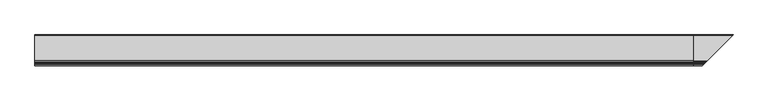
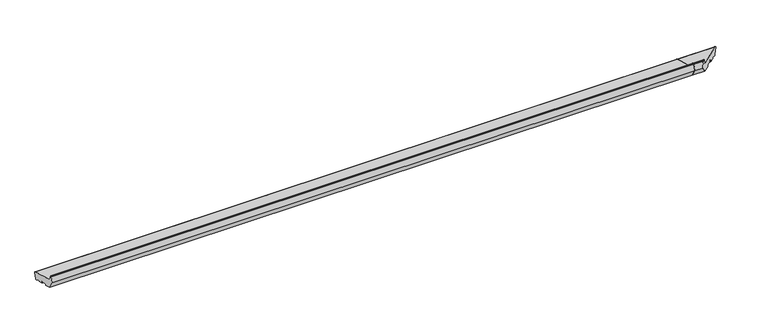
"""IFC4 building model written with IfcOpenShell, lengths in millimetres: proxy geometry."""

from ifc_helpers import new_model, si_unit, point, frame, frame_2d, origin, place, context, project, spatial, polyline, circle_curve, ellipse_curve, trimmed, segment, composite_curve, outline, extrude, source, transform, mapped, element, save
from ifc_brep_helpers import plane_surface, cylinder_surface, revolved_surface, advanced_brep


def generic_models_22b112b0(model_context):
    return source(origin(), model_context, "Body", "SolidModel", [
        advanced_brep(
        [(2695.0, 28.1351575, 11.0), (2695.0, 24.4609229, 8.8786797), (2695.0, 21.7441453, 9.606638), (2695.0, 7.5759156, 18.1940842), (2695.0, 6.0916598, 17.5977226), (2695.0, 5.1424063, 14.0550606), (2695.0, 3.9176615, 13.3479538), (2695.0, -13.4690034, 18.0066966), (2695.0, -14.1761102, 19.2314415), (2695.0, -13.140834, 23.0951448), (2695.0, -13.8479408, 24.3198896), (2695.0, -41.8597898, 31.8256419), (2695.0, -43.0845346, 31.1185352), (2695.0, -44.1198108, 27.2548319), (2695.0, -45.3445557, 26.5477251), (2695.0, -74.3223305, 34.3122964), (2695.0, -92.0, 64.9309182), (2695.0, -85.4291321, 89.4537311), (2695.0, -83.9802434, 90.5655025), (2695.0, -80.6368689, 90.5655025), (2695.0, -79.1879801, 89.4537311), (2695.0, -74.4052841, 71.6044663), (2695.0, -70.1626434, 67.3618256), (2695.0, 32.7431323, 39.7883061), (2695.0, 34.8644526, 36.1140715), (2855.8644526, 34.8644526, 36.1140715), (2849.1351575, 28.1351575, 11.0), (2853.7431323, 32.7431323, 39.7883061), (2750.8373566, -70.1626434, 67.3618256), (2746.5947159, -74.4052841, 71.6044663), (2741.8120199, -79.1879801, 89.4537311), (2740.3631311, -80.6368689, 90.5655025), (2737.0197566, -83.9802434, 90.5655025), (2735.5708679, -85.4291321, 89.4537311), (2729.0, -92.0, 64.9309182), (2746.6776695, -74.3223305, 34.3122964), (2775.6554443, -45.3445557, 26.5477251), (2776.8801892, -44.1198108, 27.2548319), (2777.9154654, -43.0845346, 31.1185352), (2779.1402102, -41.8597898, 31.8256419), (2807.1520592, -13.8479408, 24.3198896), (2807.859166, -13.140834, 23.0951448), (2806.8238898, -14.1761102, 19.2314415), (2807.5309966, -13.4690034, 18.0066966), (2824.9176615, 3.9176615, 13.3479538), (2826.1424063, 5.1424063, 14.0550606), (2827.0916598, 6.0916598, 17.5977226), (2828.5759156, 7.5759156, 18.1940842), (2842.7441453, 21.7441453, 9.606638), (2845.4609229, 24.4609229, 8.8786797)],
        [
            (0, 1, circle_curve(frame((2695.0, 25.23738, 11.7764571), z_axis=(-1.0, 0.0, 0.0), x_axis=(0.0, 1.0, 0.0)), 3.0)),
            (1, 2),
            (2, 3),
            (3, 4, circle_curve(frame((2695.0, 7.0575856, 17.3389035), z_axis=(1.0, 0.0, 0.0), x_axis=(0.0, 1.0, 0.0)), 1.0)),
            (4, 5),
            (5, 6, circle_curve(frame((2695.0, 4.1764805, 14.3138796), z_axis=(-1.0, 0.0, 0.0), x_axis=(0.0, 1.0, 0.0)), 1.0)),
            (6, 7),
            (7, 8, circle_curve(frame((2695.0, -13.2101844, 18.9726224), z_axis=(-1.0, 0.0, 0.0), x_axis=(0.0, 1.0, 0.0)), 1.0)),
            (8, 9),
            (9, 10, circle_curve(frame((2695.0, -14.1067598, 23.3539638), z_axis=(1.0, 0.0, 0.0), x_axis=(0.0, 1.0, 0.0)), 1.0)),
            (10, 11),
            (11, 12, circle_curve(frame((2695.0, -42.1186088, 30.8597161), z_axis=(1.0, 0.0, 0.0), x_axis=(0.0, 1.0, 0.0)), 1.0)),
            (12, 13),
            (13, 14, circle_curve(frame((2695.0, -45.0857366, 27.5136509), z_axis=(-1.0, 0.0, 0.0), x_axis=(0.0, 1.0, 0.0)), 1.0)),
            (14, 15),
            (15, 16),
            (16, 17),
            (17, 18, circle_curve(frame((2695.0, -83.9802434, 89.0655025), z_axis=(-1.0, 0.0, 0.0), x_axis=(0.0, 1.0, 0.0)), 1.5)),
            (18, 19),
            (19, 20, circle_curve(frame((2695.0, -80.6368689, 89.0655025), z_axis=(-1.0, 0.0, 0.0), x_axis=(0.0, 1.0, 0.0)), 1.5)),
            (20, 21),
            (21, 22, circle_curve(frame((2695.0, -68.6097291, 73.1573805), z_axis=(1.0, 0.0, 0.0), x_axis=(0.0, 1.0, 0.0)), 6.0)),
            (22, 23),
            (23, 24, circle_curve(frame((2695.0, 31.9666752, 36.8905286), z_axis=(-1.0, 0.0, 0.0), x_axis=(0.0, 1.0, 0.0)), 3.0)),
            (24, 0),
            (24, 25),
            (25, 26),
            (26, 0),
            (23, 27),
            (27, 25, ellipse_curve(frame((2852.9666752, 31.9666752, 36.8905286), z_axis=(-0.707106781186548, 0.7071067811865471, 0.0), x_axis=(0.707106781186547, 0.707106781186548, 0.0)), 4.2426407, 3.0)),
            (22, 28),
            (28, 27),
            (21, 29),
            (29, 28, ellipse_curve(frame((2752.3902709, -68.6097291, 73.1573805), z_axis=(0.707106781186548, -0.7071067811865471, 0.0), x_axis=(-0.707106781186547, -0.707106781186548, 0.0)), 8.4852814, 6.0)),
            (20, 30),
            (30, 29),
            (19, 31),
            (31, 30, ellipse_curve(frame((2740.3631311, -80.6368689, 89.0655025), z_axis=(-0.707106781186548, 0.7071067811865471, 0.0), x_axis=(0.707106781186547, 0.707106781186548, 0.0)), 2.1213203, 1.5)),
            (18, 32),
            (32, 31),
            (17, 33),
            (33, 32, ellipse_curve(frame((2737.0197566, -83.9802434, 89.0655025), z_axis=(-0.707106781186548, 0.7071067811865471, 0.0), x_axis=(0.707106781186547, 0.707106781186548, 0.0)), 2.1213203, 1.5)),
            (16, 34),
            (34, 33),
            (15, 35),
            (35, 34),
            (14, 36),
            (36, 35),
            (13, 37),
            (37, 36, ellipse_curve(frame((2775.9142634, -45.0857366, 27.5136509), z_axis=(-0.707106781186548, 0.7071067811865471, 0.0), x_axis=(0.707106781186547, 0.707106781186548, 0.0)), 1.4142136, 1.0)),
            (12, 38),
            (38, 37),
            (11, 39),
            (39, 38, ellipse_curve(frame((2778.8813912, -42.1186088, 30.8597161), z_axis=(0.707106781186548, -0.7071067811865471, 0.0), x_axis=(-0.707106781186547, -0.707106781186548, 0.0)), 1.4142136, 1.0)),
            (10, 40),
            (40, 39),
            (9, 41),
            (41, 40, ellipse_curve(frame((2806.8932402, -14.1067598, 23.3539638), z_axis=(0.707106781186548, -0.7071067811865471, 0.0), x_axis=(-0.707106781186547, -0.707106781186548, 0.0)), 1.4142136, 1.0)),
            (8, 42),
            (42, 41),
            (7, 43),
            (43, 42, ellipse_curve(frame((2807.7898156, -13.2101844, 18.9726224), z_axis=(-0.707106781186548, 0.7071067811865471, 0.0), x_axis=(0.707106781186547, 0.707106781186548, 0.0)), 1.4142136, 1.0)),
            (6, 44),
            (44, 43),
            (5, 45),
            (45, 44, ellipse_curve(frame((2825.1764805, 4.1764805, 14.3138796), z_axis=(-0.707106781186548, 0.7071067811865471, 0.0), x_axis=(0.707106781186547, 0.707106781186548, 0.0)), 1.4142136, 1.0)),
            (4, 46),
            (46, 45),
            (3, 47),
            (47, 46, ellipse_curve(frame((2828.0575856, 7.0575856, 17.3389035), z_axis=(0.707106781186548, -0.7071067811865471, 0.0), x_axis=(-0.707106781186547, -0.707106781186548, 0.0)), 1.4142136, 1.0)),
            (2, 48),
            (48, 47),
            (26, 49, ellipse_curve(frame((2846.23738, 25.23738, 11.7764571), z_axis=(-0.707106781186548, 0.7071067811865471, 0.0), x_axis=(0.707106781186547, 0.707106781186548, 0.0)), 4.2426407, 3.0)),
            (49, 1),
            (49, 48),
        ],
        [
            plane_surface(frame((2695.0, 0.0, 0.0), z_axis=(-1.0, 0.0, 0.0), x_axis=(0.0, 0.0, 1.0))),
            plane_surface(frame((2856.3741644, 34.8644526, 36.1140715), z_axis=(0.0, 0.9659258262890686, -0.2588190451025195), x_axis=(-1.0, 0.0, 0.0))),
            cylinder_surface(frame((2856.3741644, 31.9666752, 36.8905286), z_axis=(1.0, 0.0, 0.0), x_axis=(0.0, 1.0, 0.0)), 3.0),
            plane_surface(frame((2856.3741644, -70.1626434, 67.3618256), z_axis=(0.0, 0.25881904510252063, 0.9659258262890683), x_axis=(-1.0, 0.0, 0.0))),
            revolved_surface(polyline([(2695.0, -62.609729099999996, 73.1573805), (2758.390270918216, -62.609729099999996, 73.1573805)]), (2856.3741644, -68.6097291, 73.1573805), (-1.0, 0.0, 0.0)),
            plane_surface(frame((2856.3741644, -79.1879801, 89.4537311), z_axis=(0.0, 0.9659258262890666, 0.258819045102527), x_axis=(-1.0, 0.0, 0.0))),
            cylinder_surface(frame((2856.3741644, -80.6368689, 89.0655025), z_axis=(1.0, 0.0, 0.0), x_axis=(0.0, 1.0, 0.0)), 1.5),
            plane_surface(frame((2856.3741644, -83.9802434, 90.5655025), z_axis=(0.0, 0.0, 1.0), x_axis=(-1.0, 0.0, 0.0))),
            cylinder_surface(frame((2856.3741644, -83.9802434, 89.0655025), z_axis=(1.0, 0.0, 0.0), x_axis=(0.0, 1.0, 0.0)), 1.5),
            plane_surface(frame((2856.3741644, -92.0, 64.9309182), z_axis=(0.0, -0.9659258262890682, 0.25881904510252096), x_axis=(-1.0, 0.0, 0.0))),
            plane_surface(frame((2856.3741644, -74.3223305, 34.3122964), z_axis=(0.0, -0.8660254037844386, -0.5000000000000002), x_axis=(-1.0, 0.0, 0.0))),
            plane_surface(frame((2856.3741644, -45.3445557, 26.5477251), z_axis=(0.0, -0.2588190451025206, -0.9659258262890683), x_axis=(-1.0, 0.0, 0.0))),
            cylinder_surface(frame((2856.3741644, -45.0857366, 27.5136509), z_axis=(1.0, 0.0, 0.0), x_axis=(0.0, 1.0, 0.0)), 1.0),
            plane_surface(frame((2856.3741644, -43.0845346, 31.1185352), z_axis=(0.0, 0.9659258262890698, -0.2588190451025152), x_axis=(-1.0, 0.0, 0.0))),
            revolved_surface(polyline([(2695.0, -41.1186088, 30.8597161), (2779.8813912266064, -41.1186088, 30.8597161)]), (2856.3741644, -42.1186088, 30.8597161), (-1.0, 0.0, 0.0)),
            plane_surface(frame((2856.3741644, -13.8479408, 24.3198896), z_axis=(0.0, -0.2588190451025199, -0.9659258262890685), x_axis=(-1.0, 0.0, 0.0))),
            revolved_surface(polyline([(2695.0, -13.1067598, 23.3539638), (2807.8932402266064, -13.1067598, 23.3539638)]), (2856.3741644, -14.1067598, 23.3539638), (-1.0, 0.0, 0.0)),
            plane_surface(frame((2856.3741644, -14.1761102, 19.2314415), z_axis=(0.0, -0.9659258262890702, 0.25881904510251375), x_axis=(-1.0, 0.0, 0.0))),
            cylinder_surface(frame((2856.3741644, -13.2101844, 18.9726224), z_axis=(1.0, 0.0, 0.0), x_axis=(0.0, 1.0, 0.0)), 1.0),
            plane_surface(frame((2856.3741644, 3.9176615, 13.3479538), z_axis=(0.0, -0.2588190451025191, -0.9659258262890688), x_axis=(-1.0, 0.0, 0.0))),
            cylinder_surface(frame((2856.3741644, 4.1764805, 14.3138796), z_axis=(1.0, 0.0, 0.0), x_axis=(0.0, 1.0, 0.0)), 1.0),
            plane_surface(frame((2856.3741644, 6.0916598, 17.5977226), z_axis=(0.0, 0.9659258262890679, -0.2588190451025223), x_axis=(-1.0, 0.0, 0.0))),
            revolved_surface(polyline([(2695.0, 8.0575856, 17.3389035), (2829.0575856266064, 8.0575856, 17.3389035)]), (2856.3741644, 7.0575856, 17.3389035), (-1.0, 0.0, 0.0)),
            plane_surface(frame((2856.3741644, 21.7441453, 9.606638), z_axis=(0.0, -0.5183299834329754, -0.855180699194253), x_axis=(-1.0, 0.0, 0.0))),
            cylinder_surface(frame((2856.3741644, 25.23738, 11.7764571), z_axis=(1.0, 0.0, 0.0), x_axis=(0.0, 1.0, 0.0)), 3.0),
            plane_surface(frame((2856.3741644, 24.4609229, 8.8786797), z_axis=(0.0, -0.25881904510252585, -0.9659258262890669), x_axis=(-1.0, 0.0, 0.0))),
            plane_surface(frame((2802.2045815, -18.7954185, 0.0), z_axis=(0.707106781186548, -0.7071067811865471, 0.0), x_axis=(0.0, 0.0, 1.0))),
        ],
        [
            (0, [[1, 2, 3, 4, 5, 6, 7, 8, 9, 10, 11, 12, 13, 14, 15, 16, 17, 18, 19, 20, 21, 22, 23, 24, 25]]),
            (1, [[26, 27, 28, -25]]),
            (2, [[29, 30, -26, -24]]),
            (3, [[31, 32, -29, -23]]),
            (4, [[33, 34, -31, -22]]),
            (5, [[35, 36, -33, -21]]),
            (6, [[37, 38, -35, -20]]),
            (7, [[39, 40, -37, -19]]),
            (8, [[41, 42, -39, -18]]),
            (9, [[43, 44, -41, -17]]),
            (10, [[45, 46, -43, -16]]),
            (11, [[47, 48, -45, -15]]),
            (12, [[49, 50, -47, -14]]),
            (13, [[51, 52, -49, -13]]),
            (14, [[53, 54, -51, -12]]),
            (15, [[55, 56, -53, -11]]),
            (16, [[57, 58, -55, -10]]),
            (17, [[59, 60, -57, -9]]),
            (18, [[61, 62, -59, -8]]),
            (19, [[63, 64, -61, -7]]),
            (20, [[65, 66, -63, -6]]),
            (21, [[67, 68, -65, -5]]),
            (22, [[69, 70, -67, -4]]),
            (23, [[71, 72, -69, -3]]),
            (24, [[-28, 73, 74, -1]]),
            (25, [[-74, 75, -71, -2]]),
            (26, [[-30, -32, -34, -36, -38, -40, -42, -44, -46, -48, -50, -52, -54, -56, -58, -60, -62, -64, -66, -68, -70, -72, -75, -73, -27]]),
        ],
    ),
        extrude(outline(composite_curve([segment(trimmed(circle_curve(frame_2d((25.23738, 11.7764571)), 3.0), [point((28.1351575, 11.0))], [point((24.4609229, 8.8786797))], False, "CARTESIAN"), True, "CONTINUOUS"), segment(polyline([(24.4609229, 8.8786797), (21.7441453, 9.606638), (7.5759156, 18.1940842)]), True, "CONTINUOUS"), segment(trimmed(circle_curve(frame_2d((7.0575856, 17.3389035)), 1.0), [point((7.5759156, 18.1940842))], [point((6.0916598, 17.5977226))], True, "CARTESIAN"), True, "CONTINUOUS"), segment(polyline([(6.0916598, 17.5977226), (5.1424063, 14.0550606)]), True, "CONTINUOUS"), segment(trimmed(circle_curve(frame_2d((4.1764805, 14.3138796)), 1.0), [point((5.1424063, 14.0550606))], [point((3.9176615, 13.3479538))], False, "CARTESIAN"), True, "CONTINUOUS"), segment(polyline([(3.9176615, 13.3479538), (-13.4690034, 18.0066966)]), True, "CONTINUOUS"), segment(trimmed(circle_curve(frame_2d((-13.2101844, 18.9726224)), 1.0), [point((-13.4690034, 18.0066966))], [point((-14.1761102, 19.2314415))], False, "CARTESIAN"), True, "CONTINUOUS"), segment(polyline([(-14.1761102, 19.2314415), (-13.140834, 23.0951448)]), True, "CONTINUOUS"), segment(trimmed(circle_curve(frame_2d((-14.1067598, 23.3539638)), 1.0), [point((-13.140834, 23.0951448))], [point((-13.8479408, 24.3198896))], True, "CARTESIAN"), True, "CONTINUOUS"), segment(polyline([(-13.8479408, 24.3198896), (-41.8597898, 31.8256419)]), True, "CONTINUOUS"), segment(trimmed(circle_curve(frame_2d((-42.1186088, 30.8597161)), 1.0), [point((-41.8597898, 31.8256419))], [point((-43.0845346, 31.1185352))], True, "CARTESIAN"), True, "CONTINUOUS"), segment(polyline([(-43.0845346, 31.1185352), (-44.1198108, 27.2548319)]), True, "CONTINUOUS"), segment(trimmed(circle_curve(frame_2d((-45.0857366, 27.5136509)), 1.0), [point((-44.1198108, 27.2548319))], [point((-45.3445557, 26.5477251))], False, "CARTESIAN"), True, "CONTINUOUS"), segment(polyline([(-45.3445557, 26.5477251), (-74.3223305, 34.3122964), (-92.0, 64.9309182), (-85.4291321, 89.4537311)]), True, "CONTINUOUS"), segment(trimmed(circle_curve(frame_2d((-83.9802434, 89.0655025)), 1.5), [point((-85.4291321, 89.4537311))], [point((-83.9802434, 90.5655025))], False, "CARTESIAN"), True, "CONTINUOUS"), segment(polyline([(-83.9802434, 90.5655025), (-80.6368689, 90.5655025)]), True, "CONTINUOUS"), segment(trimmed(circle_curve(frame_2d((-80.6368689, 89.0655025)), 1.5), [point((-80.6368689, 90.5655025))], [point((-79.1879801, 89.4537311))], False, "CARTESIAN"), True, "CONTINUOUS"), segment(polyline([(-79.1879801, 89.4537311), (-74.4052841, 71.6044663)]), True, "CONTINUOUS"), segment(trimmed(circle_curve(frame_2d((-68.6097291, 73.1573805)), 6.0), [point((-74.4052841, 71.6044663))], [point((-70.1626434, 67.3618256))], True, "CARTESIAN"), True, "CONTINUOUS"), segment(polyline([(-70.1626434, 67.3618256), (32.7431323, 39.7883061)]), True, "CONTINUOUS"), segment(trimmed(circle_curve(frame_2d((31.9666752, 36.8905286)), 3.0), [point((32.7431323, 39.7883061))], [point((34.8644526, 36.1140715))], False, "CARTESIAN"), True, "CONTINUOUS"), segment(polyline([(34.8644526, 36.1140715), (28.1351575, 11.0)]), True, "CONTINUOUS")], self_intersect=False)), frame((0.0, 0.0, 0.0), z_axis=(1.0, 0.0, 0.0), x_axis=(0.0, 1.0, 0.0)), (0.0, 0.0, 1.0), 2695.0),
    ])


if __name__ == "__main__":
    model = new_model("IFC4")
    model_context = context("Model", 3, world=origin())
    ifc_project = project(units=[si_unit("LENGTHUNIT", "METRE", prefix="MILLI")], contexts=[model_context])
    site = spatial("IfcSite", under=ifc_project)
    building = spatial("IfcBuilding", under=site)
    placement = place(None, origin())
    generic_models_shape = generic_models_22b112b0(model_context)
    element("IfcBuildingElementProxy", 1, Name="Generic Models", at=placement, inside=building, context=model_context, shape_type="MappedRepresentation", body=[
        mapped(generic_models_shape, transform((0.0, 0.0, 0.0), x_axis=(1.0, 0.0, 0.0), y_axis=(0.0, 1.0, 0.0), z_axis=(0.0, 0.0, 1.0))),
    ])
    save(model, "model.ifc")
